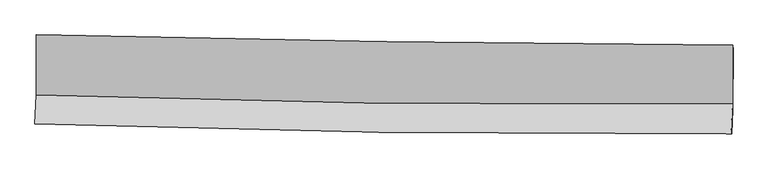
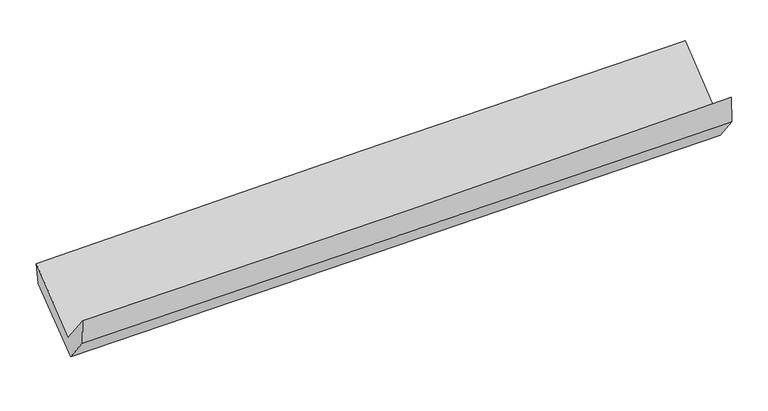
"""IFC4 building model written with IfcOpenShell, lengths in millimetres: proxy geometry."""

from ifc_helpers import new_model, si_unit, frame, origin, place, context, project, spatial, source, transform, mapped, element, save
from ifc_brep_helpers import plane_surface, spline_curve, spline_surface, advanced_brep


def generic_models_6e977c3b(model_context):
    return source(origin(), model_context, "Body", "AdvancedBrep", [
        advanced_brep(
        [(-3030.567161, -1157.6848778, 2154.0258662), (-3031.6344088, -1682.355775, 1741.5576667), (3021.0974403, -1758.054993, 1888.3457331), (3021.6932261, -1247.9647367, 2308.4226628), (-3044.2243461, -1935.5898028, 2063.7108927), (3008.186535, -2020.0662045, 2216.6832902), (-3038.5411641, -1921.5696058, 1830.6388116), (3013.8462135, -2019.5243374, 1972.8463469), (-3028.1213279, -1711.984995, 1564.0144597), (3024.2659627, -1809.9414771, 1706.2242221), (-3026.6508507, -1178.2095681, 1967.0334503), (3025.725445, -1280.1571377, 2106.229803)],
        [
            (0, 1),
            (1, 2, spline_curve(3, [(-3031.6344088, -1682.355775, 1741.5576667), (-2023.521173319, -1718.184086816, 1776.491597065), (-1015.088766875, -1742.406705655, 1806.190644313), (1002.488469369, -1767.641482911, 1855.120768696), (2011.63334597, -1768.651937104, 1874.351077157), (3021.0974403, -1758.054993, 1888.3457331)], [4, 2, 4], [0.0, 9.932873790587339, 19.866477035459308])),
            (2, 3),
            (3, 0, spline_curve(3, [(3021.6932261, -1247.9647367, 2308.4226628), (2012.484310806, -1241.711795042, 2298.138744083), (1003.506310392, -1231.061564751, 2280.129628635), (-1013.913784667, -1200.967632633, 2228.662895513), (-2022.355913549, -1181.52457648, 2195.206411702), (-3030.567161, -1157.6848778, 2154.0258662)], [4, 2, 4], [0.0, 9.93360324487197, 19.866477035459308])),
            (1, 4),
            (4, 5, spline_curve(3, [(-3044.2243461, -1935.5898028, 2063.7108927), (-2035.934411133, -1969.018972927, 2093.114002609), (-1027.440397047, -1992.773354763, 2120.562861249), (990.029866614, -2020.93357662, 2171.553947434), (1999.006146198, -2025.337995292, 2195.095888044), (3008.186535, -2020.0662045, 2216.6832902)], [4, 2, 4], [0.0, 9.933017411080915, 19.866764286993718])),
            (5, 2),
            (4, 6),
            (6, 7, spline_curve(3, [(-3038.5411641, -1921.5696058, 1830.6388116), (-2030.273809768, -1951.908488361, 1863.717419493), (-1021.793044898, -1975.240781399, 1892.107088633), (995.669383177, -2007.893387535, 1939.51028911), (2004.651077287, -2017.21267169, 1958.523131722), (3013.8462135, -2019.5243374, 1972.8463469)], [4, 2, 4], [0.0, 9.932582181409845, 19.86589379568901])),
            (7, 5),
            (6, 8),
            (8, 9, spline_curve(3, [(-3028.1213279, -1711.984995, 1564.0144597), (-2019.853959019, -1742.323585848, 1597.092696731), (-1011.373193925, -1765.655878745, 1625.482365638), (1006.089204603, -1798.30906841, 1672.886308333), (2015.070869924, -1807.628936093, 1691.899893449), (3024.2659627, -1809.9414771, 1706.2242221)], [4, 2, 4], [0.0, 9.932477681457396, 19.865684788109803])),
            (9, 7),
            (8, 10),
            (10, 11, spline_curve(3, [(-3026.6508507, -1178.2095681, 1967.0334503), (-2018.381649412, -1207.883050689, 2000.613866668), (-1009.900884697, -1231.215343711, 2029.00353593), (1007.55784964, -1265.198798489, 2075.403082362), (2016.535849753, -1275.849028617, 2093.412197873), (3025.725445, -1280.1571377, 2106.229803)], [4, 2, 4], [0.0, 9.932454047357105, 19.86563751817357])),
            (11, 9),
            (10, 0),
            (3, 11),
        ],
        [
            spline_surface(3, 3, [[(-3030.567161, -1157.6848778, 2154.0258662), (-2022.355913417, -1181.524576507, 2195.206411663), (-1013.913784705, -1200.967632659, 2228.662895377), (1003.50631043, -1231.061564725, 2280.12962877), (2012.484310723, -1241.711794917, 2298.138743924), (3021.6932261, -1247.9647367, 2308.4226628)], [(-3030.922910256, -1332.57517685, 2016.536466336), (-2022.744333378, -1360.411079975, 2055.634806802), (-1014.305445414, -1381.447323645, 2087.838811695), (1003.167030066, -1409.921537472, 2138.460008749), (2012.200655774, -1417.358508946, 2156.876188258), (3021.494630847, -1417.99482215, 2168.397019536)], [(-3031.278659544, -1507.46547595, 1879.047066564), (-2023.132753372, -1539.297583495, 1916.063202033), (-1014.697106129, -1561.927014623, 1947.014727999), (1002.827749696, -1588.781510211, 1996.790388714), (2011.917000785, -1593.005222925, 2015.613632683), (3021.296035553, -1588.02490755, 2028.371376364)], [(-3031.6344088, -1682.355775, 1741.5576667), (-2023.521173333, -1718.184086963, 1776.491597172), (-1015.088766838, -1742.406705609, 1806.190644316), (1002.488469332, -1767.641482958, 1855.120768693), (2011.633345836, -1768.651936954, 1874.351077017), (3021.0974403, -1758.054993, 1888.3457331)]], [4, 4], [4, 2, 4], [0.0, 2.2494419857305292], [0.0, 9.932873790587339, 19.866477035459308]),
            spline_surface(3, 3, [[(-3031.6344088, -1682.355775, 1741.5576667), (-2023.521173333, -1718.184086963, 1776.491597172), (-1015.088766838, -1742.406705609, 1806.190644316), (1002.488469332, -1767.641482958, 1855.120768693), (2011.633345836, -1768.651936954, 1874.351077017), (3021.0974403, -1758.054993, 1888.3457331)], [(-3035.831054565, -1766.767117602, 1848.942075382), (-2027.658919286, -1801.795715621, 1882.03239905), (-1019.205976928, -1825.862255365, 1910.981383305), (998.33560176, -1852.072180799, 1960.598494957), (2007.424279284, -1854.213956321, 1981.266014066), (3016.793805184, -1845.392063475, 1997.791585471)], [(-3040.027700335, -1851.178460198, 1956.326484018), (-2031.796665243, -1885.407344272, 1987.573200882), (-1023.323186989, -1909.317805133, 2015.772122252), (994.182734217, -1936.502878653, 2066.076221178), (2003.215212781, -1939.775975765, 2088.180951101), (3012.490170116, -1932.729134025, 2107.237437829)], [(-3044.2243461, -1935.5898028, 2063.7108927), (-2035.934411196, -1969.01897293, 2093.114002761), (-1027.440397079, -1992.773354889, 2120.562861241), (990.029866645, -2020.933576494, 2171.553947441), (1999.006146229, -2025.337995133, 2195.09588815), (3008.186535, -2020.0662045, 2216.6832902)]], [4, 4], [4, 2, 4], [0.0, 1.3247886993235818], [0.0, 9.933017411080915, 19.866764286993718]),
            spline_surface(3, 3, [[(-3044.2243461, -1935.5898028, 2063.7108927), (-2035.934411196, -1969.01897293, 2093.114002761), (-1027.440397079, -1992.773354889, 2120.562861241), (990.029866645, -2020.933576494, 2171.553947441), (1999.006146229, -2025.337995133, 2195.09588815), (3008.186535, -2020.0662045, 2216.6832902)], [(-3042.32995211, -1930.916403811, 1986.020198984), (-2034.047544049, -1963.31547804, 2016.648475034), (-1025.557946318, -1986.929163697, 2044.410937012), (991.909705453, -2016.586846881, 2094.206061311), (2000.887789928, -2022.629554037, 2116.23830273), (3010.073094503, -2019.885582158, 2135.404309105)], [(-3040.43555809, -1926.243004789, 1908.329505316), (-2032.160676873, -1957.611983117, 1940.182947354), (-1023.675495554, -1981.084972488, 1968.259012852), (993.789544264, -2012.24011725, 2016.85817525), (2002.769433617, -2019.921112868, 2037.380717294), (3011.959653997, -2019.704959742, 2054.125327995)], [(-3038.5411641, -1921.5696058, 1830.6388116), (-2030.273809726, -1951.908488227, 1863.717419628), (-1021.793044794, -1975.240781296, 1892.107088623), (995.669383072, -2007.893387637, 1939.51028912), (2004.651077315, -2017.212671772, 1958.523131874), (3013.8462135, -2019.5243374, 1972.8463469)]], [4, 4], [4, 2, 4], [0.0, 0.7573022019631782], [0.0, 9.932582181409845, 19.86589379568901]),
            spline_surface(3, 3, [[(-3038.5411641, -1921.5696058, 1830.6388116), (-2030.273809726, -1951.908488227, 1863.717419628), (-1021.793044794, -1975.240781296, 1892.107088623), (995.669383072, -2007.893387637, 1939.51028912), (2004.651077315, -2017.212671772, 1958.523131874), (3013.8462135, -2019.5243374, 1972.8463469)], [(-3035.067885341, -1851.708068839, 1741.764027657), (-2026.800526133, -1882.046854022, 1774.842511974), (-1018.3197612, -1905.379147091, 1803.232180969), (999.142656996, -1938.031947929, 1850.635628897), (2008.124341569, -1947.351426575, 1869.648719098), (3017.319463247, -1949.663383972, 1883.972305302)], [(-3031.594606659, -1781.846531961, 1652.889243643), (-2023.327242616, -1812.185219898, 1685.96760425), (-1014.846477683, -1835.517512867, 1714.357273246), (1002.615930844, -1868.170508202, 1761.760968603), (2011.59760578, -1877.49018136, 1780.774306318), (3020.792712953, -1879.802430528, 1795.098263698)], [(-3028.1213279, -1711.984995, 1564.0144597), (-2019.853959022, -1742.323585693, 1597.092696596), (-1011.373194089, -1765.655878662, 1625.482365591), (1006.089204767, -1798.309068493, 1672.886308379), (2015.070870033, -1807.628936162, 1691.899893542), (3024.2659627, -1809.9414771, 1706.2242221)]], [4, 4], [4, 2, 4], [0.0, 1.1131809365030558], [0.0, 9.932477681457396, 19.865684788109803]),
            spline_surface(3, 3, [[(-3028.1213279, -1711.984995, 1564.0144597), (-2019.853959022, -1742.323585693, 1597.092696596), (-1011.373194089, -1765.655878662, 1625.482365591), (1006.089204767, -1798.309068493, 1672.886308379), (2015.070870033, -1807.628936162, 1691.899893542), (3024.2659627, -1809.9414771, 1706.2242221)], [(-3027.631168847, -1534.0598527, 1698.354123235), (-2019.363189209, -1564.176740734, 1731.599753341), (-1010.882424276, -1587.509033703, 1759.989422336), (1006.578753016, -1620.605645133, 1807.058566413), (2015.559196627, -1630.368966965, 1825.737328277), (3024.75245679, -1633.346697288, 1839.55941574)], [(-3027.141009753, -1356.1347104, 1832.693786765), (-2018.872419356, -1386.029895776, 1866.106810079), (-1010.391654423, -1409.362188745, 1894.496479074), (1007.068301304, -1442.902221774, 1941.230824439), (2016.047523252, -1453.108997803, 1959.574762992), (3025.23895091, -1456.751917512, 1972.89460936)], [(-3026.6508507, -1178.2095681, 1967.0334503), (-2018.381649542, -1207.883050817, 2000.613866824), (-1009.900884609, -1231.215343786, 2029.003535819), (1007.557849553, -1265.198798413, 2075.403082473), (2016.535849846, -1275.849028605, 2093.412197727), (3025.725445, -1280.1571377, 2106.229803)]], [4, 4], [4, 2, 4], [0.0, 2.1943461810431977], [0.0, 9.932454047357105, 19.86563751817357]),
            spline_surface(3, 3, [[(-3026.6508507, -1178.2095681, 1967.0334503), (-2018.381649542, -1207.883050817, 2000.613866824), (-1009.900884609, -1231.215343786, 2029.003535819), (1007.557849553, -1265.198798413, 2075.403082473), (2016.535849846, -1275.849028605, 2093.412197727), (3025.725445, -1280.1571377, 2106.229803)], [(-3027.956287481, -1171.368004698, 2029.364255605), (-2019.706404182, -1199.096892745, 2065.478048442), (-1011.238517979, -1221.1327734, 2095.556655651), (1006.207336508, -1253.819720507, 2143.645264551), (2015.185336801, -1264.469950699, 2161.654379805), (3024.38137203, -1269.426337357, 2173.627422946)], [(-3029.261724219, -1164.526441202, 2091.695060895), (-2021.031158777, -1190.310734579, 2130.342230044), (-1012.576151336, -1211.050203045, 2162.109775546), (1004.856823475, -1242.440642631, 2211.887446692), (2013.834823768, -1253.090872823, 2229.896561846), (3023.03729907, -1258.695537043, 2241.025042854)], [(-3030.567161, -1157.6848778, 2154.0258662), (-2022.355913417, -1181.524576507, 2195.206411663), (-1013.913784705, -1200.967632659, 2228.662895377), (1003.50631043, -1231.061564725, 2280.12962877), (2012.484310723, -1241.711794917, 2298.138743924), (3021.6932261, -1247.9647367, 2308.4226628)]], [4, 4], [4, 2, 4], [0.0, 0.6718491144431824], [0.0, 9.932493081815927, 19.865715589957844]),
            plane_surface(frame((3019.1358038, -1689.2848144, 2033.125343), z_axis=(0.9995270567249935, -0.020236362721831092, 0.02315496703651255), x_axis=(0.0021985589658665436, 0.7980652689614997, 0.6025670027605916))),
            plane_surface(frame((-3033.2898764, -1597.8991041, 1886.8301912), z_axis=(-0.9995270567249868, 0.02023636272195386, -0.023154967036697366), x_axis=(0.020814142072214846, -0.10908323918482525, -0.9938146801183528))),
        ],
        [
            (0, [[1, 2, 3, 4]]),
            (1, [[5, 6, 7, -2]]),
            (2, [[8, 9, 10, -6]]),
            (3, [[11, 12, 13, -9]]),
            (4, [[14, 15, 16, -12]]),
            (5, [[17, -4, 18, -15]]),
            (6, [[-16, -18, -3, -7, -10, -13]]),
            (7, [[-17, -14, -11, -8, -5, -1]]),
        ],
    ),
    ])


if __name__ == "__main__":
    model = new_model("IFC4")
    model_context = context("Model", 3, world=origin())
    ifc_project = project(units=[si_unit("LENGTHUNIT", "METRE", prefix="MILLI")], contexts=[model_context])
    site = spatial("IfcSite", under=ifc_project)
    building = spatial("IfcBuilding", under=site)
    placement = place(None, origin())
    generic_models_shape = generic_models_6e977c3b(model_context)
    element("IfcBuildingElementProxy", 1, Name="Generic Models", at=placement, inside=building, context=model_context, shape_type="MappedRepresentation", body=[
        mapped(generic_models_shape, transform((0.0, 0.0, 0.0), x_axis=(1.0, 0.0, 0.0), y_axis=(0.0, 1.0, 0.0), z_axis=(0.0, 0.0, 1.0))),
    ])
    save(model, "model.ifc")
